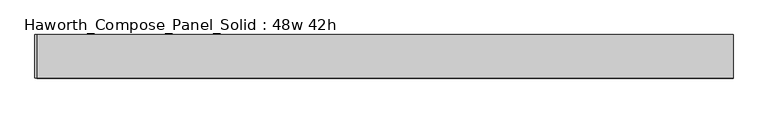
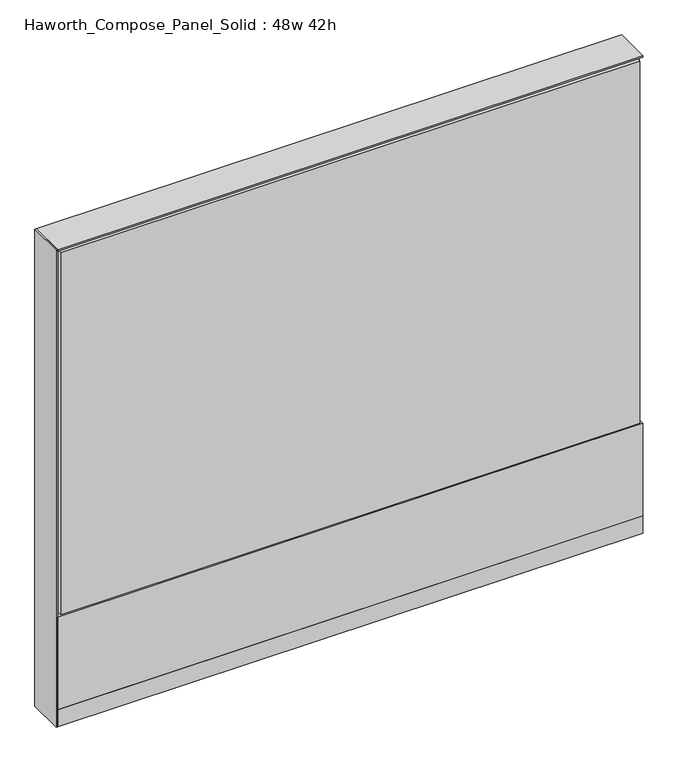
"""IFC4 building model written with IfcOpenShell, lengths in millimetres: furniture geometry, Haworth_Compose_Panel_Solid : 48w 42h."""

from ifc_helpers import new_model, si_unit, point, frame, frame_2d, origin, origin_with_axes, place, context, project, spatial, polyline, circle_curve, trimmed, segment, composite_curve, outline, extrude, source, transform, mapped, element, save


def haworth_compose_panel_solid_48w_42h_2ec2df57(model_context):
    return source(origin(), model_context, "Body", "SweptSolid", [
        extrude(outline(composite_curve([segment(trimmed(circle_curve(frame_2d((-530.9597098, 0.0)), 12.7), [point((-543.6597098, 0.0))], [point((-518.2597098, 0.0))], False, "CARTESIAN"), True, "CONTINUOUS"), segment(trimmed(circle_curve(frame_2d((-530.9597098, 0.0)), 12.7), [point((-518.2597098, 0.0))], [point((-543.6597098, 0.0))], False, "CARTESIAN"), True, "CONTINUOUS")], self_intersect=False)), origin_with_axes(), (0.0, 0.0, 1.0), 12.7),
        extrude(outline(composite_curve([segment(trimmed(circle_curve(frame_2d((535.8402902, 0.0)), 12.7), [point((523.1402902, 0.0))], [point((548.5402902, 0.0))], False, "CARTESIAN"), True, "CONTINUOUS"), segment(trimmed(circle_curve(frame_2d((535.8402902, 0.0)), 12.7), [point((548.5402902, 0.0))], [point((523.1402902, 0.0))], False, "CARTESIAN"), True, "CONTINUOUS")], self_intersect=False)), origin_with_axes(), (0.0, 0.0, 1.0), 12.7),
        extrude(outline(polyline([(-610.3347098, 38.1), (-607.1597098, 38.1), (-607.1597098, -38.1), (-610.3347098, -38.1), (-610.3347098, 38.1)])), frame((0.0, 0.0, 12.7), z_axis=(0.0, 0.0, 1.0), x_axis=(1.0, 0.0, 0.0)), (0.0, 0.0, 1.0), 1050.925),
        extrude(outline(polyline([(605.6902902, 38.1), (605.6902902, 25.4), (-600.8097098, 25.4), (-600.8097098, 38.1), (605.6902902, 38.1)])), frame((0.0, 0.0, 257.175), z_axis=(0.0, 0.0, 1.0), x_axis=(1.0, 0.0, 0.0)), (0.0, 0.0, 1.0), 796.925),
        extrude(outline(polyline([(612.0402902, 38.1), (612.0402902, 25.4), (-607.1597098, 25.4), (-607.1597098, 38.1), (612.0402902, 38.1)])), frame((0.0, 0.0, 50.8), z_axis=(0.0, 0.0, 1.0), x_axis=(1.0, 0.0, 0.0)), (0.0, 0.0, 1.0), 203.2),
        extrude(outline(polyline([(612.0402902, -38.1), (-607.1597098, -38.1), (-607.1597098, -25.4), (612.0402902, -25.4), (612.0402902, -38.1)])), frame((0.0, 0.0, 50.8), z_axis=(0.0, 0.0, 1.0), x_axis=(1.0, 0.0, 0.0)), (0.0, 0.0, 1.0), 203.2),
        extrude(outline(polyline([(605.6902902, -38.1), (-600.8097098, -38.1), (-600.8097098, -25.4), (605.6902902, -25.4), (605.6902902, -38.1)])), frame((0.0, 0.0, 257.175), z_axis=(0.0, 0.0, 1.0), x_axis=(1.0, 0.0, 0.0)), (0.0, 0.0, 1.0), 796.925),
        extrude(outline(polyline([(612.0402902, 25.4), (612.0402902, -25.4), (-607.1597098, -25.4), (-607.1597098, 25.4), (612.0402902, 25.4)])), frame((0.0, 0.0, 12.7), z_axis=(0.0, 0.0, 1.0), x_axis=(1.0, 0.0, 0.0)), (0.0, 0.0, 1.0), 1047.75),
        extrude(outline(polyline([(-607.1597098, -38.1), (-607.1597098, 38.1), (612.0402902, 38.1), (612.0402902, -38.1), (-607.1597098, -38.1)])), frame((0.0, 0.0, 12.7), z_axis=(0.0, 0.0, 1.0), x_axis=(1.0, 0.0, 0.0)), (0.0, 0.0, 1.0), 38.1),
        extrude(outline(polyline([(-607.1597098, -38.1), (-607.1597098, 38.1), (612.0402902, 38.1), (612.0402902, -38.1), (-607.1597098, -38.1)])), frame((0.0, 0.0, 1060.45), z_axis=(0.0, 0.0, 1.0), x_axis=(1.0, 0.0, 0.0)), (0.0, 0.0, 1.0), 3.175),
    ])


if __name__ == "__main__":
    model = new_model("IFC4")
    model_context = context("Model", 3, world=origin())
    ifc_project = project(units=[si_unit("LENGTHUNIT", "METRE", prefix="MILLI")], contexts=[model_context])
    site = spatial("IfcSite", under=ifc_project)
    building = spatial("IfcBuilding", under=site)
    placement = place(None, origin())
    haworth_compose_panel_solid_48w_42h_shape = haworth_compose_panel_solid_48w_42h_2ec2df57(model_context)
    element("IfcFurniture", 1, ObjectType="Haworth_Compose_Panel_Solid : 48w 42h", at=placement, inside=building, context=model_context, shape_type="MappedRepresentation", body=[
        mapped(haworth_compose_panel_solid_48w_42h_shape, transform((0.0, 0.0, 0.0), x_axis=(1.0, 0.0, 0.0), y_axis=(0.0, 1.0, 0.0), z_axis=(0.0, 0.0, 1.0))),
    ])
    save(model, "model.ifc")
